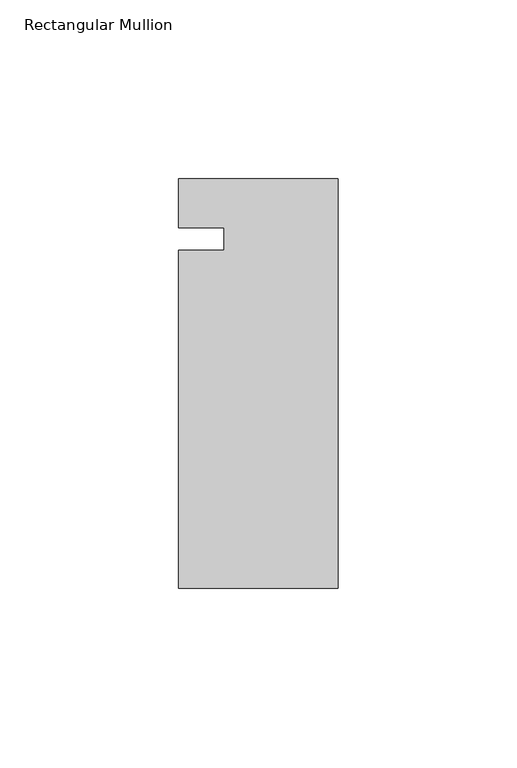
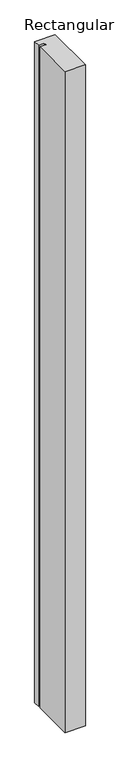
"""IFC4 building model written with IfcOpenShell, lengths in millimetres: member geometry, Rectangular Mullion."""

from ifc_helpers import new_model, si_unit, frame, origin, place, context, project, spatial, polyline, outline, extrude, source, transform, mapped, element, save


def rectangular_mullion_e518105d(model_context):
    return source(origin(), model_context, "Body", "SweptSolid", [
        extrude(outline(polyline([(-44.45, 16.8081154), (0.0, 16.8081154), (0.0, -97.4918846), (-44.45, -97.4918846), (-44.45, -3.175), (-31.7482296, -3.175), (-31.7482296, 3.175), (-44.45, 3.175), (-44.45, 16.8081154)])), frame((0.0, 0.0, -1524.0), z_axis=(0.0, 0.0, 1.0), x_axis=(1.0, 0.0, 0.0)), (0.0, 0.0, 1.0), 1524.0),
    ])


if __name__ == "__main__":
    model = new_model("IFC4")
    model_context = context("Model", 3, world=origin())
    ifc_project = project(units=[si_unit("LENGTHUNIT", "METRE", prefix="MILLI")], contexts=[model_context])
    site = spatial("IfcSite", under=ifc_project)
    building = spatial("IfcBuilding", under=site)
    placement = place(None, origin())
    rectangular_mullion_shape = rectangular_mullion_e518105d(model_context)
    element("IfcMember", 1, ObjectType="Rectangular Mullion", at=placement, inside=building, context=model_context, shape_type="MappedRepresentation", body=[
        mapped(rectangular_mullion_shape, transform((0.0, 0.0, 0.0), x_axis=(1.0, 0.0, 0.0), y_axis=(0.0, 1.0, 0.0), z_axis=(0.0, 0.0, 1.0))),
    ])
    save(model, "model.ifc")
